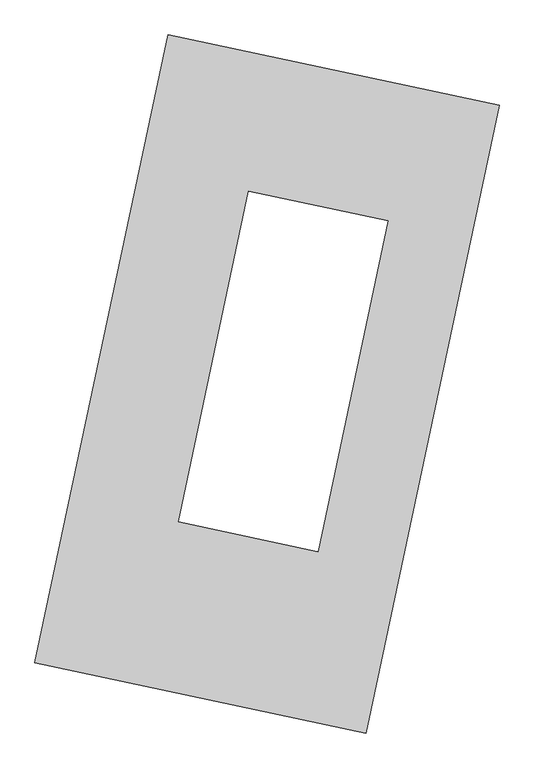
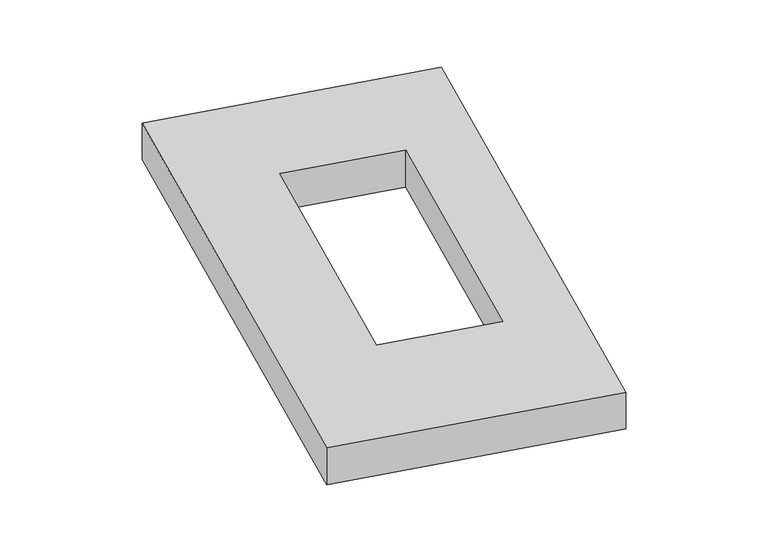
"""IFC4 building model written with IfcOpenShell, lengths in millimetres: proxy geometry."""

import ifcopenshell
import ifcopenshell.guid

model = None  # the IFC model being written
_history = None  # IfcOwnerHistory: only IFC2X3 demands one
_inside = {}  # id of a spatial element -> (the spatial element, [elements in it])
_under = {}  # id of a project, library or spatial element -> (it, [spatial elements below it])
_declared = {}  # id of a project -> (the project, [libraries it declares])
_typed = {}  # id of a type object -> (the type object, [elements of that type])
_made_of = {}  # id of a material, layer set ... -> (it, [elements and type objects made of it])


def new_model(schema):
    """Start an empty IFC model of exactly this schema.

    Asked for "IFC4X3", IfcOpenShell would pick the latest addendum, in which some entities
    have other attributes; the version numbers below select the first issue.
    IFC2X3 requires an IfcOwnerHistory on every rooted entity: one is made here for all.
    """
    global model, _history
    if schema == "IFC4X3":
        model = ifcopenshell.file(schema_version=(4, 3, 0, 0))
    else:
        model = ifcopenshell.file(schema=schema)
    _inside.clear()
    _under.clear()
    _declared.clear()
    _typed.clear()
    _made_of.clear()
    _history = None
    if model.schema == "IFC2X3":
        org = make("IfcOrganization", Name="unknown")
        user = make(
            "IfcPersonAndOrganization",
            ThePerson=make("IfcPerson", FamilyName="unknown"),
            TheOrganization=org,
        )
        app = make(
            "IfcApplication",
            ApplicationDeveloper=org,
            Version="unknown",
            ApplicationFullName="unknown",
            ApplicationIdentifier="unknown",
        )
        _history = make(
            "IfcOwnerHistory",
            OwningUser=user,
            OwningApplication=app,
            ChangeAction="ADDED",
            CreationDate=0,
        )
    return model


def make(cls, **values):
    """One entity of the class cls with the attributes given. An attribute that is None is left unset."""
    return model.create_entity(
        cls, **{name: value for name, value in values.items() if value is not None}
    )


def rooted(cls, **values):
    """An entity with a GlobalId (a new one), such as an element, a storey or a relation."""
    return make(cls, GlobalId=ifcopenshell.guid.new(), OwnerHistory=_history, **values)


def si_unit(unit_type, name, prefix=None):
    """IfcSIUnit, for example si_unit("LENGTHUNIT", "METRE", prefix="MILLI")."""
    return make("IfcSIUnit", UnitType=unit_type, Prefix=prefix, Name=name)


def assignment(units):
    """IfcUnitAssignment: the units of a project."""
    return None if units is None else make("IfcUnitAssignment", Units=units)


def point(xyz):
    """IfcCartesianPoint."""
    return None if xyz is None else make("IfcCartesianPoint", Coordinates=xyz)


def direction(xyz):
    """IfcDirection."""
    return None if xyz is None else make("IfcDirection", DirectionRatios=xyz)


def frame(location, z_axis=None, x_axis=None):
    """IfcAxis2Placement3D, a coordinate frame: its origin and axes. An axis left out is left unset."""
    return make(
        "IfcAxis2Placement3D",
        Location=point(location),
        Axis=direction(z_axis),
        RefDirection=direction(x_axis),
    )


def origin():
    """The frame at (0, 0, 0) with its axes left unset."""
    return frame((0.0, 0.0, 0.0))


def origin_with_axes():
    """The frame at (0, 0, 0) with the z axis (0, 0, 1) and the x axis (1, 0, 0) written out."""
    return frame((0.0, 0.0, 0.0), z_axis=(0.0, 0.0, 1.0), x_axis=(1.0, 0.0, 0.0))


def place(relative_to, where):
    """IfcLocalPlacement: puts the frame where relative to a parent placement (None: the world)."""
    return make(
        "IfcLocalPlacement", PlacementRelTo=relative_to, RelativePlacement=where
    )


def context(
    kind, dimensions, precision=None, world=None, true_north=None, identifier=None
):
    """IfcGeometricRepresentationContext, for example the 3D "Model" context."""
    return make(
        "IfcGeometricRepresentationContext",
        ContextIdentifier=identifier,
        ContextType=kind,
        CoordinateSpaceDimension=dimensions,
        Precision=precision,
        WorldCoordinateSystem=world,
        TrueNorth=true_north,
    )


def project(units=None, contexts=None):
    """IfcProject with its units and contexts."""
    return rooted(
        "IfcProject",
        Name="project",
        RepresentationContexts=contexts,
        UnitsInContext=assignment(units),
    )


def spatial(cls, under=None, at=None, **own):
    """A site, building, storey or space (cls), placed at a placement, below another one or the project."""
    s = rooted(cls, ObjectPlacement=at, **own)
    if under is not None:
        _under.setdefault(under.id(), (under, []))[1].append(s)
    return s


def polyline(points):
    """IfcPolyline through the points."""
    return make("IfcPolyline", Points=[point(p) for p in points])


def outline(outer, holes=None, kind="AREA"):
    """IfcArbitraryClosedProfileDef: a profile drawn as a closed curve; with holes, ...WithVoids."""
    if holes is None:
        return make("IfcArbitraryClosedProfileDef", ProfileType=kind, OuterCurve=outer)
    return make(
        "IfcArbitraryProfileDefWithVoids",
        ProfileType=kind,
        OuterCurve=outer,
        InnerCurves=holes,
    )


def extrude(swept, where, along, depth):
    """IfcExtrudedAreaSolid: the profile swept, set in the frame where, extruded along a direction by depth."""
    return make(
        "IfcExtrudedAreaSolid",
        SweptArea=swept,
        Position=where,
        ExtrudedDirection=direction(along),
        Depth=depth,
    )


def shape(context_of_items, identifier, shape_type, items):
    """IfcShapeRepresentation: the items that make up one representation, for example the "Body"."""
    return make(
        "IfcShapeRepresentation",
        ContextOfItems=context_of_items,
        RepresentationIdentifier=identifier,
        RepresentationType=shape_type,
        Items=items,
    )


def source(mapping_origin, context_of_items, identifier, shape_type, items):
    """IfcRepresentationMap: a shape defined once, which mapped items show again and again."""
    return make(
        "IfcRepresentationMap",
        MappingOrigin=mapping_origin,
        MappedRepresentation=shape(context_of_items, identifier, shape_type, items),
    )


def transform(
    local_origin,
    x_axis=None,
    y_axis=None,
    z_axis=None,
    scale=None,
    scale2=None,
    scale3=None,
    uniform=True,
):
    """IfcCartesianTransformationOperator3D, or its non-uniform kind. x_axis, y_axis, z_axis: its Axis1, 2, 3."""
    if uniform:
        return make(
            "IfcCartesianTransformationOperator3D",
            Axis1=direction(x_axis),
            Axis2=direction(y_axis),
            LocalOrigin=point(local_origin),
            Scale=scale,
            Axis3=direction(z_axis),
        )
    return make(
        "IfcCartesianTransformationOperator3DnonUniform",
        Axis1=direction(x_axis),
        Axis2=direction(y_axis),
        LocalOrigin=point(local_origin),
        Scale=scale,
        Axis3=direction(z_axis),
        Scale2=scale2,
        Scale3=scale3,
    )


def mapped(mapping_source, mapping_target):
    """IfcMappedItem: shows the shape of a source again, moved by a transform."""
    return make(
        "IfcMappedItem", MappingSource=mapping_source, MappingTarget=mapping_target
    )


def made_of(thing, what):
    """Note that an element or type object is made of a material, layer set ...; save() writes the relation."""
    if what is not None:
        _made_of.setdefault(what.id(), (what, []))[1].append(thing)
    return thing


def element(
    cls,
    number,
    at=None,
    inside=None,
    cuts=None,
    type_object=None,
    material=None,
    context=None,
    identifier="Body",
    shape_type=None,
    held_by="IfcProductDefinitionShape",
    body=None,
    shapes=None,
    **own,
):
    """One element of the class cls, such as IfcWall. Its Tag is "e" and its number.

    at: its placement. inside: the storey or other place that contains it. cuts: it is an
    opening in that element (IfcRelVoidsElement). A single representation is given by context,
    identifier, shape_type and body (its items); several are given by shapes. held_by: the class
    of the entity that holds the representations. save() writes the other relations.
    """
    e = rooted(cls, Tag="e%d" % number, ObjectPlacement=at, **own)
    if body is not None:
        shapes = [shape(context, identifier, shape_type, body)]
    if shapes is not None:
        e.Representation = make(held_by, Representations=shapes)
    if inside is not None:
        _inside.setdefault(inside.id(), (inside, []))[1].append(e)
    if cuts is not None:
        rooted(
            "IfcRelVoidsElement", RelatingBuildingElement=cuts, RelatedOpeningElement=e
        )
    if type_object is not None:
        _typed.setdefault(type_object.id(), (type_object, []))[1].append(e)
    return made_of(e, material)


def aggregate(whole, parts):
    """IfcRelAggregates: a whole, such as a stair, and the parts it consists of."""
    return rooted("IfcRelAggregates", RelatingObject=whole, RelatedObjects=parts)


def save(model, path):
    """Write the relations noted so far, then the file.

    IfcRelAggregates (storeys below a building ...), IfcRelContainedInSpatialStructure (elements
    in a storey), IfcRelDefinesByType, IfcRelAssociatesMaterial and IfcRelDeclares: one each for
    every whole, place, type object, material and project.
    """
    for whole, parts in _under.values():
        aggregate(whole, parts)
    for where, things in _inside.values():
        rooted(
            "IfcRelContainedInSpatialStructure",
            RelatedElements=things,
            RelatingStructure=where,
        )
    for kind, things in _typed.values():
        rooted("IfcRelDefinesByType", RelatedObjects=things, RelatingType=kind)
    for what, things in _made_of.values():
        rooted("IfcRelAssociatesMaterial", RelatedObjects=things, RelatingMaterial=what)
    for by, libraries in _declared.values():
        rooted("IfcRelDeclares", RelatingContext=by, RelatedDefinitions=libraries)
    model.write(path)


def generic_models_20308417(model_context):
    return source(origin(), model_context, "Body", "SweptSolid", [
        extrude(outline(polyline([(-617.3692021, 2175.5580432), (1447.7508745, 1737.3010494), (617.3692021, -2175.5580432), (-1447.7508745, -1737.3010494), (-617.3692021, 2175.5580432)]), holes=[polyline([(754.2894247, 1015.8546542), (-114.8299976, 1200.2980042), (-552.0538984, -859.9540132), (317.0655239, -1044.3973633), (754.2894247, 1015.8546542)])]), origin_with_axes(), (0.0, 0.0, 1.0), 300.0),
    ])


if __name__ == "__main__":
    model = new_model("IFC4")
    model_context = context("Model", 3, world=origin())
    ifc_project = project(units=[si_unit("LENGTHUNIT", "METRE", prefix="MILLI")], contexts=[model_context])
    site = spatial("IfcSite", under=ifc_project)
    building = spatial("IfcBuilding", under=site)
    placement = place(None, origin())
    generic_models_shape = generic_models_20308417(model_context)
    element("IfcBuildingElementProxy", 1, Name="Generic Models", at=placement, inside=building, context=model_context, shape_type="MappedRepresentation", body=[
        mapped(generic_models_shape, transform((0.0, 0.0, 0.0), x_axis=(1.0, 0.0, 0.0), y_axis=(0.0, 1.0, 0.0), z_axis=(0.0, 0.0, 1.0))),
    ])
    save(model, "model.ifc")
